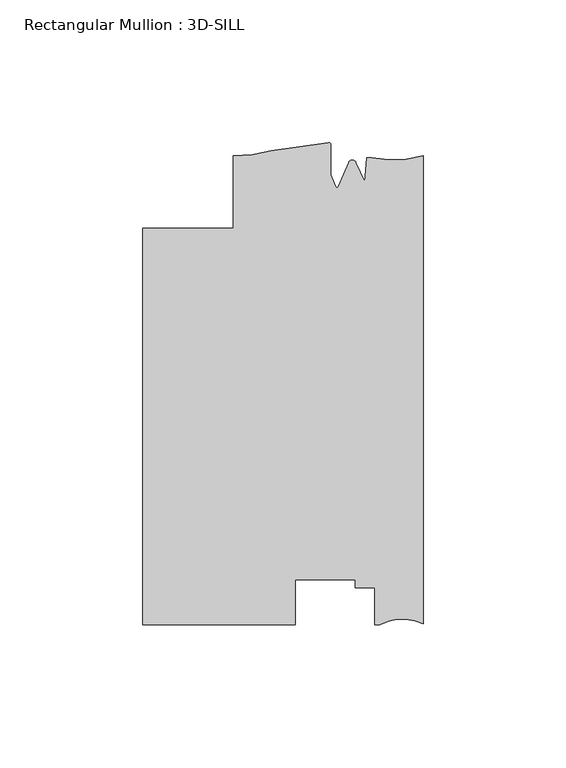
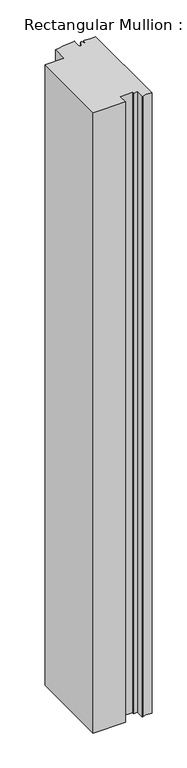
"""IFC4 building model written with IfcOpenShell, lengths in millimetres: member geometry, Rectangular Mullion : 3D-SILL."""

from ifc_helpers import new_model, si_unit, frame, origin, place, context, project, spatial, polyline, circle_curve, source, transform, mapped, element, save
from ifc_brep_helpers import plane_surface, cylinder_surface, revolved_surface, advanced_brep


def rectangular_mullion_3d_sill_ec57083d(model_context):
    return source(origin(), model_context, "Body", "AdvancedBrep", [
        advanced_brep(
        [(-98.425, -27.8368125, 0.0), (-98.425, -167.0288125, 0.0), (-44.8099503, -167.0288125, 0.0), (-44.8099503, -151.130408, 0.0), (-23.8633011, -151.130408, 0.0), (-23.8633011, -153.9850133, 0.0), (-17.0053014, -153.9850133, 0.0), (-17.0053014, -167.0288125, 0.0), (-15.1680895, -167.0288125, 0.0), (0.0, -166.6478125, 0.0), (0.0, -2.4368125, 0.0), (-18.0334985, -3.1935504, 0.0), (-19.8211861, -3.0828843, 0.0), (-20.3867288, -11.4822036, 0.0), (-23.5593147, -4.7881561, 0.0), (-26.1362138, -4.7881561, 0.0), (-29.8075652, -13.2047236, 0.0), (-30.5559634, -13.2047236, 0.0), (-32.384137, -9.0136383, 0.0), (-32.384137, 1.4766469, 0.0), (-33.3130099, 2.2201504, 0.0), (-53.2924277, -0.6208493, 0.0), (-66.6751132, -2.4368125, 0.0), (-66.6751132, -27.8361661, 0.0), (-98.425, -27.8368125, -1094.7559691), (-66.6751132, -27.8361661, -1094.7559691), (-66.6751132, -2.4368125, -1094.7559691), (-53.2924277, -0.6208493, -1094.7559691), (-33.3138356, 2.2199646, -1094.7559691), (-32.384137, 1.4766469, -1094.7559691), (-32.384137, -9.0136383, -1094.7559691), (-30.5559634, -13.2047236, -1094.7559691), (-29.8075652, -13.2047236, -1094.7559691), (-26.1362138, -4.7881561, -1094.7559691), (-23.5593147, -4.7881561, -1094.7559691), (-20.3867288, -11.4822036, -1094.7559691), (-19.8211861, -3.0828843, -1094.7559691), (-18.0334985, -3.1935504, -1094.7559691), (0.0, -2.4368125, -1094.7559691), (0.0, -166.6478125, -1094.7559691), (-15.1680895, -167.0288125, -1094.7559691), (-17.0053014, -167.0288125, -1094.7559691), (-17.0053014, -153.9850133, -1094.7559691), (-23.8633011, -153.9850133, -1094.7559691), (-23.8633011, -151.130408, -1094.7559691), (-44.8099503, -151.130408, -1094.7559691), (-44.8099503, -167.0288125, -1094.7559691), (-98.425, -167.0288125, -1094.7559691)],
        [
            (0, 1),
            (1, 2),
            (2, 3),
            (3, 4),
            (4, 5),
            (5, 6),
            (6, 7),
            (7, 8),
            (8, 9, circle_curve(frame((-7.2326507, -180.8277516, 0.0), z_axis=(0.0, 0.0, -1.0), x_axis=(0.0, -1.0, 0.0)), 15.9179744)),
            (9, 10),
            (10, 11, circle_curve(frame((-10.6264113, 35.54399, 0.0), z_axis=(0.0, 0.0, -1.0), x_axis=(0.0, -1.0, 0.0)), 39.4393455)),
            (11, 12),
            (12, 13),
            (13, 14),
            (14, 15, circle_curve(frame((-24.8477643, -5.3280697, 0.0), z_axis=(0.0, 0.0, 1.0), x_axis=(-0.9222974554240703, 0.38648079346622805, 0.0)), 1.397)),
            (15, 16),
            (16, 17, circle_curve(frame((-30.1817643, -13.2763897, 0.0), z_axis=(0.0, 0.0, -1.0), x_axis=(-0.9821498950386456, 0.1880999300254456, 0.0)), 0.381)),
            (17, 18),
            (18, 19),
            (19, 20, circle_curve(frame((-33.146137, 1.4766469, 0.0), z_axis=(0.0, 0.0, 1.0), x_axis=(1.0, 0.0, 0.0)), 0.762)),
            (20, 21, circle_curve(frame((-61.125498, 126.1389145, 0.0), z_axis=(0.0, 0.0, -1.0), x_axis=(0.2189867881896227, -0.9757278240361876, 0.0)), 127.0015539)),
            (21, 22, circle_curve(frame((-65.8289407, 41.546973, 0.0), z_axis=(0.0, 0.0, -1.0), x_axis=(0.0, -1.0, 0.0)), 43.9919242)),
            (22, 23),
            (23, 0),
            (24, 25),
            (25, 26),
            (26, 27, circle_curve(frame((-65.8289407, 41.546973, -1094.7559691), z_axis=(0.0, 0.0, 1.0), x_axis=(0.0, -1.0, 0.0)), 43.9919242)),
            (27, 28, circle_curve(frame((-61.125498, 126.1389145, -1094.7559691), z_axis=(0.0, 0.0, 1.0), x_axis=(0.2189867881896227, -0.9757278240361876, 0.0)), 127.0015539)),
            (28, 29, circle_curve(frame((-33.146137, 1.4766469, -1094.7559691), z_axis=(0.0, 0.0, -1.0), x_axis=(1.0, 0.0, 0.0)), 0.762)),
            (29, 30),
            (30, 31),
            (31, 32, circle_curve(frame((-30.1817643, -13.2763897, -1094.7559691), z_axis=(0.0, 0.0, 1.0), x_axis=(-0.9821498950386456, 0.1880999300254456, 0.0)), 0.381)),
            (32, 33),
            (33, 34, circle_curve(frame((-24.8477643, -5.3280697, -1094.7559691), z_axis=(0.0, 0.0, -1.0), x_axis=(-0.9222974554240703, 0.38648079346622805, 0.0)), 1.397)),
            (34, 35),
            (35, 36),
            (36, 37),
            (37, 38, circle_curve(frame((-10.6264113, 35.54399, -1094.7559691), z_axis=(0.0, 0.0, 1.0), x_axis=(0.0, -1.0, 0.0)), 39.4393455)),
            (38, 39),
            (39, 40, circle_curve(frame((-7.2326507, -180.8277516, -1094.7559691), z_axis=(0.0, 0.0, 1.0), x_axis=(0.0, -1.0, 0.0)), 15.9179744)),
            (40, 41),
            (41, 42),
            (42, 43),
            (43, 44),
            (44, 45),
            (45, 46),
            (46, 47),
            (47, 24),
            (0, 24),
            (47, 1),
            (46, 2),
            (45, 3),
            (44, 4),
            (43, 5),
            (42, 6),
            (41, 7),
            (40, 8),
            (39, 9),
            (38, 10),
            (37, 11),
            (36, 12),
            (35, 13),
            (34, 14),
            (33, 15),
            (32, 16),
            (31, 17),
            (30, 18),
            (29, 19),
            (28, 20),
            (27, 21),
            (26, 22),
            (25, 23),
        ],
        [
            plane_surface(frame((0.0, -193.8713616, 0.0), z_axis=(0.0, 0.0, 1.0), x_axis=(-1.0, 0.0, 0.0))),
            plane_surface(frame((0.0, -193.8713616, -1094.7559691), z_axis=(0.0, 0.0, -1.0), x_axis=(-1.0, 0.0, 0.0))),
            plane_surface(frame((-98.425, -27.8368125, 0.0), z_axis=(-1.0, 0.0, 0.0), x_axis=(0.0, 0.0, -1.0))),
            plane_surface(frame((-98.425, -167.0288125, 0.0), z_axis=(0.0, -1.0, 0.0), x_axis=(0.0, 0.0, -1.0))),
            plane_surface(frame((-44.8099503, -167.0288125, 0.0), z_axis=(1.0, 0.0, 0.0), x_axis=(0.0, 0.0, -1.0))),
            plane_surface(frame((-44.8099503, -151.130408, 0.0), z_axis=(0.0, -1.0, 0.0), x_axis=(0.0, 0.0, -1.0))),
            plane_surface(frame((-23.8633011, -151.130408, 0.0), z_axis=(-1.0, 0.0, 0.0), x_axis=(0.0, 0.0, -1.0))),
            plane_surface(frame((-23.8633011, -153.9850133, 0.0), z_axis=(0.0, -1.0, 0.0), x_axis=(0.0, 0.0, -1.0))),
            plane_surface(frame((-17.0053014, -153.9850133, 0.0), z_axis=(-1.0, 0.0, 0.0), x_axis=(0.0, 0.0, -1.0))),
            plane_surface(frame((-17.0053014, -167.0288125, 0.0), z_axis=(0.0, -1.0, 0.0), x_axis=(0.0, 0.0, -1.0))),
            revolved_surface(polyline([(-7.2326507, -196.745726, -1094.7559691), (-7.2326507, -196.745726, 0.0)]), (-7.2326507, -180.8277516, 0.0), (0.0, 0.0, -1.0)),
            plane_surface(frame((0.0, -166.6478125, 0.0), z_axis=(1.0, 0.0, 0.0), x_axis=(0.0, 0.0, -1.0))),
            revolved_surface(polyline([(-10.6264113, -3.895355500000001, -1094.7559691), (-10.6264113, -3.895355500000001, 0.0)]), (-10.6264113, 35.54399, 0.0), (0.0, 0.0, -1.0)),
            plane_surface(frame((-18.0334985, -3.1935504, 0.0), z_axis=(0.0617863276188998, 0.9980893996628609, 0.0), x_axis=(0.0, 0.0, -1.0))),
            plane_surface(frame((-19.8211861, -3.0828843, 0.0), z_axis=(-0.997740881645106, 0.06717985631159565, 0.0), x_axis=(0.0, 0.0, -1.0))),
            plane_surface(frame((-20.3867288, -11.4822036, 0.0), z_axis=(0.9036479198265283, 0.4282761223710569, 0.0), x_axis=(0.0, 0.0, -1.0))),
            cylinder_surface(frame((-24.8477643, -5.3280697, 0.0), z_axis=(0.0, 0.0, 1.0), x_axis=(-0.9222974554240703, 0.38648079346622805, 0.0)), 1.397),
            plane_surface(frame((-26.1362138, -4.7881561, 0.0), z_axis=(-0.9165925711538568, 0.3998225337641213, 0.0), x_axis=(0.0, 0.0, -1.0))),
            revolved_surface(polyline([(-30.555963410009724, -13.204723626660304, -1094.7559691), (-30.555963410009724, -13.204723626660304, 0.0)]), (-30.1817643, -13.2763897, 0.0), (0.0, 0.0, -1.0)),
            plane_surface(frame((-30.5559634, -13.2047236, 0.0), z_axis=(0.9165925711538717, 0.39982253376408716, 0.0), x_axis=(0.0, 0.0, -1.0))),
            plane_surface(frame((-32.384137, -9.0136383, 0.0), z_axis=(1.0, 0.0, 0.0), x_axis=(0.0, 0.0, -1.0))),
            cylinder_surface(frame((-33.146137, 1.4766469, 0.0), z_axis=(0.0, 0.0, 1.0), x_axis=(1.0, 0.0, 0.0)), 0.762),
            revolved_surface(polyline([(-33.313835616347745, 2.2199646639383985, -1094.7559691000004), (-33.313835616347745, 2.2199646639383985, 0.0)]), (-61.125498, 126.1389145, 0.0), (0.0, 0.0, -1.0000000000000002)),
            revolved_surface(polyline([(-65.8289407, -2.4449511999999984, -1094.7559691), (-65.8289407, -2.4449511999999984, 0.0)]), (-65.8289407, 41.546973, 0.0), (0.0, 0.0, -1.0)),
            plane_surface(frame((-66.6751132, -2.4368125, 0.0), z_axis=(-1.0, 0.0, 0.0), x_axis=(0.0, 0.0, -1.0))),
            plane_surface(frame((-66.6751132, -27.8361661, 0.0), z_axis=(-2.0360673595886705e-05, 0.9999999997927215, 0.0), x_axis=(0.0, 0.0, -1.0))),
        ],
        [
            (0, [[1, 2, 3, 4, 5, 6, 7, 8, 9, 10, 11, 12, 13, 14, 15, 16, 17, 18, 19, 20, 21, 22, 23, 24]]),
            (1, [[25, 26, 27, 28, 29, 30, 31, 32, 33, 34, 35, 36, 37, 38, 39, 40, 41, 42, 43, 44, 45, 46, 47, 48]]),
            (2, [[-1, 49, -48, 50]]),
            (3, [[-2, -50, -47, 51]]),
            (4, [[-3, -51, -46, 52]]),
            (5, [[-4, -52, -45, 53]]),
            (6, [[-5, -53, -44, 54]]),
            (7, [[-6, -54, -43, 55]]),
            (8, [[-7, -55, -42, 56]]),
            (9, [[-8, -56, -41, 57]]),
            (10, [[-9, -57, -40, 58]]),
            (11, [[-10, -58, -39, 59]]),
            (12, [[-11, -59, -38, 60]]),
            (13, [[-12, -60, -37, 61]]),
            (14, [[-13, -61, -36, 62]]),
            (15, [[-14, -62, -35, 63]]),
            (16, [[-15, -63, -34, 64]]),
            (17, [[-16, -64, -33, 65]]),
            (18, [[-17, -65, -32, 66]]),
            (19, [[-18, -66, -31, 67]]),
            (20, [[-19, -67, -30, 68]]),
            (21, [[-20, -68, -29, 69]]),
            (22, [[-21, -69, -28, 70]]),
            (23, [[-22, -70, -27, 71]]),
            (24, [[-23, -71, -26, 72]]),
            (25, [[-24, -72, -25, -49]]),
        ],
    ),
    ])


if __name__ == "__main__":
    model = new_model("IFC4")
    model_context = context("Model", 3, world=origin())
    ifc_project = project(units=[si_unit("LENGTHUNIT", "METRE", prefix="MILLI")], contexts=[model_context])
    site = spatial("IfcSite", under=ifc_project)
    building = spatial("IfcBuilding", under=site)
    placement = place(None, origin())
    rectangular_mullion_3d_sill_shape = rectangular_mullion_3d_sill_ec57083d(model_context)
    element("IfcMember", 1, ObjectType="Rectangular Mullion : 3D-SILL", at=placement, inside=building, context=model_context, shape_type="MappedRepresentation", body=[
        mapped(rectangular_mullion_3d_sill_shape, transform((0.0, 0.0, 0.0), x_axis=(1.0, 0.0, 0.0), y_axis=(0.0, 1.0, 0.0), z_axis=(0.0, 0.0, 1.0))),
    ])
    save(model, "model.ifc")
